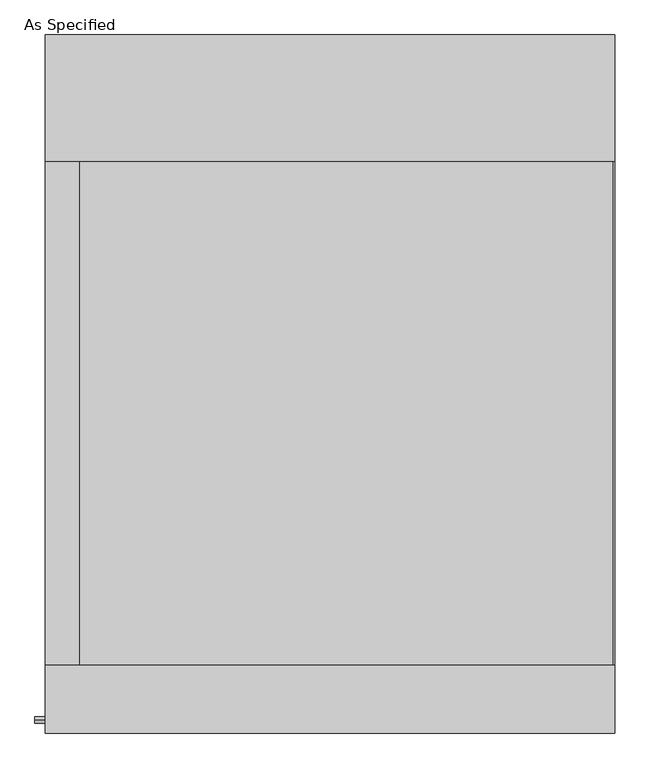
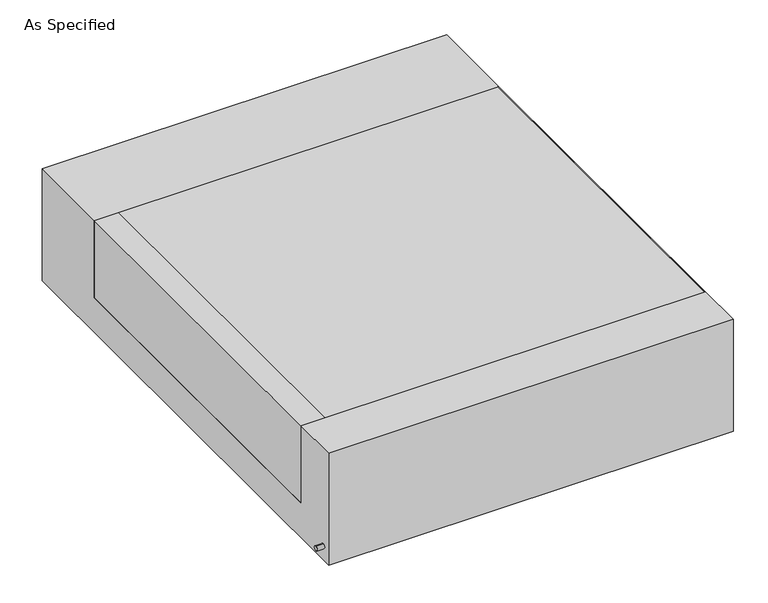
"""IFC4 building model written with IfcOpenShell, lengths in millimetres: proxy geometry, As Specified."""

import ifcopenshell
import ifcopenshell.guid

model = None  # the IFC model being written
_history = None  # IfcOwnerHistory: only IFC2X3 demands one
_inside = {}  # id of a spatial element -> (the spatial element, [elements in it])
_under = {}  # id of a project, library or spatial element -> (it, [spatial elements below it])
_declared = {}  # id of a project -> (the project, [libraries it declares])
_typed = {}  # id of a type object -> (the type object, [elements of that type])
_made_of = {}  # id of a material, layer set ... -> (it, [elements and type objects made of it])


def new_model(schema):
    """Start an empty IFC model of exactly this schema.

    Asked for "IFC4X3", IfcOpenShell would pick the latest addendum, in which some entities
    have other attributes; the version numbers below select the first issue.
    IFC2X3 requires an IfcOwnerHistory on every rooted entity: one is made here for all.
    """
    global model, _history
    if schema == "IFC4X3":
        model = ifcopenshell.file(schema_version=(4, 3, 0, 0))
    else:
        model = ifcopenshell.file(schema=schema)
    _inside.clear()
    _under.clear()
    _declared.clear()
    _typed.clear()
    _made_of.clear()
    _history = None
    if model.schema == "IFC2X3":
        org = make("IfcOrganization", Name="unknown")
        user = make(
            "IfcPersonAndOrganization",
            ThePerson=make("IfcPerson", FamilyName="unknown"),
            TheOrganization=org,
        )
        app = make(
            "IfcApplication",
            ApplicationDeveloper=org,
            Version="unknown",
            ApplicationFullName="unknown",
            ApplicationIdentifier="unknown",
        )
        _history = make(
            "IfcOwnerHistory",
            OwningUser=user,
            OwningApplication=app,
            ChangeAction="ADDED",
            CreationDate=0,
        )
    return model


def make(cls, **values):
    """One entity of the class cls with the attributes given. An attribute that is None is left unset."""
    return model.create_entity(
        cls, **{name: value for name, value in values.items() if value is not None}
    )


def rooted(cls, **values):
    """An entity with a GlobalId (a new one), such as an element, a storey or a relation."""
    return make(cls, GlobalId=ifcopenshell.guid.new(), OwnerHistory=_history, **values)


def si_unit(unit_type, name, prefix=None):
    """IfcSIUnit, for example si_unit("LENGTHUNIT", "METRE", prefix="MILLI")."""
    return make("IfcSIUnit", UnitType=unit_type, Prefix=prefix, Name=name)


def assignment(units):
    """IfcUnitAssignment: the units of a project."""
    return None if units is None else make("IfcUnitAssignment", Units=units)


def point(xyz):
    """IfcCartesianPoint."""
    return None if xyz is None else make("IfcCartesianPoint", Coordinates=xyz)


def direction(xyz):
    """IfcDirection."""
    return None if xyz is None else make("IfcDirection", DirectionRatios=xyz)


def frame(location, z_axis=None, x_axis=None):
    """IfcAxis2Placement3D, a coordinate frame: its origin and axes. An axis left out is left unset."""
    return make(
        "IfcAxis2Placement3D",
        Location=point(location),
        Axis=direction(z_axis),
        RefDirection=direction(x_axis),
    )


def frame_2d(location, x_axis=None):
    """IfcAxis2Placement2D, a coordinate frame in the plane: its origin and x axis."""
    return make(
        "IfcAxis2Placement2D", Location=point(location), RefDirection=direction(x_axis)
    )


def origin():
    """The frame at (0, 0, 0) with its axes left unset."""
    return frame((0.0, 0.0, 0.0))


def place(relative_to, where):
    """IfcLocalPlacement: puts the frame where relative to a parent placement (None: the world)."""
    return make(
        "IfcLocalPlacement", PlacementRelTo=relative_to, RelativePlacement=where
    )


def context(
    kind, dimensions, precision=None, world=None, true_north=None, identifier=None
):
    """IfcGeometricRepresentationContext, for example the 3D "Model" context."""
    return make(
        "IfcGeometricRepresentationContext",
        ContextIdentifier=identifier,
        ContextType=kind,
        CoordinateSpaceDimension=dimensions,
        Precision=precision,
        WorldCoordinateSystem=world,
        TrueNorth=true_north,
    )


def project(units=None, contexts=None):
    """IfcProject with its units and contexts."""
    return rooted(
        "IfcProject",
        Name="project",
        RepresentationContexts=contexts,
        UnitsInContext=assignment(units),
    )


def spatial(cls, under=None, at=None, **own):
    """A site, building, storey or space (cls), placed at a placement, below another one or the project."""
    s = rooted(cls, ObjectPlacement=at, **own)
    if under is not None:
        _under.setdefault(under.id(), (under, []))[1].append(s)
    return s


def polyline(points):
    """IfcPolyline through the points."""
    return make("IfcPolyline", Points=[point(p) for p in points])


def circle_curve(where, radius):
    """IfcCircle in the frame where."""
    return make("IfcCircle", Position=where, Radius=radius)


def trimmed(basis, trim1, trim2, sense, master):
    """IfcTrimmedCurve: the piece of a basis curve between two trims."""
    return make(
        "IfcTrimmedCurve",
        BasisCurve=basis,
        Trim1=trim1,
        Trim2=trim2,
        SenseAgreement=sense,
        MasterRepresentation=master,
    )


def segment(curve, same_sense, transition):
    """IfcCompositeCurveSegment."""
    return make(
        "IfcCompositeCurveSegment",
        Transition=transition,
        SameSense=same_sense,
        ParentCurve=curve,
    )


def composite_curve(segments, self_intersect=None):
    """IfcCompositeCurve: segments joined end to end."""
    return make("IfcCompositeCurve", Segments=segments, SelfIntersect=self_intersect)


def outline(outer, holes=None, kind="AREA"):
    """IfcArbitraryClosedProfileDef: a profile drawn as a closed curve; with holes, ...WithVoids."""
    if holes is None:
        return make("IfcArbitraryClosedProfileDef", ProfileType=kind, OuterCurve=outer)
    return make(
        "IfcArbitraryProfileDefWithVoids",
        ProfileType=kind,
        OuterCurve=outer,
        InnerCurves=holes,
    )


def extrude(swept, where, along, depth):
    """IfcExtrudedAreaSolid: the profile swept, set in the frame where, extruded along a direction by depth."""
    return make(
        "IfcExtrudedAreaSolid",
        SweptArea=swept,
        Position=where,
        ExtrudedDirection=direction(along),
        Depth=depth,
    )


def shape(context_of_items, identifier, shape_type, items):
    """IfcShapeRepresentation: the items that make up one representation, for example the "Body"."""
    return make(
        "IfcShapeRepresentation",
        ContextOfItems=context_of_items,
        RepresentationIdentifier=identifier,
        RepresentationType=shape_type,
        Items=items,
    )


def source(mapping_origin, context_of_items, identifier, shape_type, items):
    """IfcRepresentationMap: a shape defined once, which mapped items show again and again."""
    return make(
        "IfcRepresentationMap",
        MappingOrigin=mapping_origin,
        MappedRepresentation=shape(context_of_items, identifier, shape_type, items),
    )


def transform(
    local_origin,
    x_axis=None,
    y_axis=None,
    z_axis=None,
    scale=None,
    scale2=None,
    scale3=None,
    uniform=True,
):
    """IfcCartesianTransformationOperator3D, or its non-uniform kind. x_axis, y_axis, z_axis: its Axis1, 2, 3."""
    if uniform:
        return make(
            "IfcCartesianTransformationOperator3D",
            Axis1=direction(x_axis),
            Axis2=direction(y_axis),
            LocalOrigin=point(local_origin),
            Scale=scale,
            Axis3=direction(z_axis),
        )
    return make(
        "IfcCartesianTransformationOperator3DnonUniform",
        Axis1=direction(x_axis),
        Axis2=direction(y_axis),
        LocalOrigin=point(local_origin),
        Scale=scale,
        Axis3=direction(z_axis),
        Scale2=scale2,
        Scale3=scale3,
    )


def mapped(mapping_source, mapping_target):
    """IfcMappedItem: shows the shape of a source again, moved by a transform."""
    return make(
        "IfcMappedItem", MappingSource=mapping_source, MappingTarget=mapping_target
    )


def made_of(thing, what):
    """Note that an element or type object is made of a material, layer set ...; save() writes the relation."""
    if what is not None:
        _made_of.setdefault(what.id(), (what, []))[1].append(thing)
    return thing


def element(
    cls,
    number,
    at=None,
    inside=None,
    cuts=None,
    type_object=None,
    material=None,
    context=None,
    identifier="Body",
    shape_type=None,
    held_by="IfcProductDefinitionShape",
    body=None,
    shapes=None,
    **own,
):
    """One element of the class cls, such as IfcWall. Its Tag is "e" and its number.

    at: its placement. inside: the storey or other place that contains it. cuts: it is an
    opening in that element (IfcRelVoidsElement). A single representation is given by context,
    identifier, shape_type and body (its items); several are given by shapes. held_by: the class
    of the entity that holds the representations. save() writes the other relations.
    """
    e = rooted(cls, Tag="e%d" % number, ObjectPlacement=at, **own)
    if body is not None:
        shapes = [shape(context, identifier, shape_type, body)]
    if shapes is not None:
        e.Representation = make(held_by, Representations=shapes)
    if inside is not None:
        _inside.setdefault(inside.id(), (inside, []))[1].append(e)
    if cuts is not None:
        rooted(
            "IfcRelVoidsElement", RelatingBuildingElement=cuts, RelatedOpeningElement=e
        )
    if type_object is not None:
        _typed.setdefault(type_object.id(), (type_object, []))[1].append(e)
    return made_of(e, material)


def aggregate(whole, parts):
    """IfcRelAggregates: a whole, such as a stair, and the parts it consists of."""
    return rooted("IfcRelAggregates", RelatingObject=whole, RelatedObjects=parts)


def save(model, path):
    """Write the relations noted so far, then the file.

    IfcRelAggregates (storeys below a building ...), IfcRelContainedInSpatialStructure (elements
    in a storey), IfcRelDefinesByType, IfcRelAssociatesMaterial and IfcRelDeclares: one each for
    every whole, place, type object, material and project.
    """
    for whole, parts in _under.values():
        aggregate(whole, parts)
    for where, things in _inside.values():
        rooted(
            "IfcRelContainedInSpatialStructure",
            RelatedElements=things,
            RelatingStructure=where,
        )
    for kind, things in _typed.values():
        rooted("IfcRelDefinesByType", RelatedObjects=things, RelatingType=kind)
    for what, things in _made_of.values():
        rooted("IfcRelAssociatesMaterial", RelatedObjects=things, RelatingMaterial=what)
    for by, libraries in _declared.values():
        rooted("IfcRelDeclares", RelatingContext=by, RelatedDefinitions=libraries)
    model.write(path)


def as_specified_87eda443(model_context):
    return source(origin(), model_context, "Body", "SweptSolid", [
        extrude(outline(composite_curve([segment(trimmed(circle_curve(frame_2d((-1017.5875, -466.725)), 10.5), [point((-1017.5875, -456.225))], [point((-1017.5875, -477.225))], False, "CARTESIAN"), True, "CONTINUOUS"), segment(trimmed(circle_curve(frame_2d((-1017.5875, -466.725)), 10.5), [point((-1017.5875, -477.225))], [point((-1017.5875, -456.225))], False, "CARTESIAN"), True, "CONTINUOUS")], self_intersect=False)), frame((-893.8528384, 0.0, 0.0), z_axis=(1.0, 0.0, 0.0), x_axis=(0.0, 1.0, 0.0)), (0.0, 0.0, 1.0), 31.8403384),
        extrude(outline(polyline([(-759.61875, 673.1), (-759.61875, -850.9), (-862.0125, -850.9), (-862.0125, 673.1), (-759.61875, 673.1)])), frame((0.0, 0.0, -373.0625), z_axis=(0.0, 0.0, 1.0), x_axis=(1.0, 0.0, 0.0)), (0.0, 0.0, 1.0), 347.6625),
        extrude(outline(polyline([(858.04375, 673.1), (862.0125, 673.1), (862.0125, -850.9), (858.04375, -850.9), (858.04375, 673.1)])), frame((0.0, 0.0, -39.6875), z_axis=(0.0, 0.0, 1.0), x_axis=(1.0, 0.0, 0.0)), (0.0, 0.0, 1.0), 14.2875),
        extrude(outline(polyline([(862.0125, 673.1), (862.0125, -850.9), (-759.61875, -850.9), (-759.61875, 673.1), (862.0125, 673.1)])), frame((0.0, 0.0, -373.0625), z_axis=(0.0, 0.0, 1.0), x_axis=(1.0, 0.0, 0.0)), (0.0, 0.0, 1.0), 347.6625),
        extrude(outline(polyline([(1057.275, -25.4), (1057.275, -530.225), (-1057.275, -530.225), (-1057.275, -25.4), (-850.9, -25.4), (-850.9, -373.0625), (673.1, -373.0625), (673.1, -25.4), (1057.275, -25.4)])), frame((-862.0125, 0.0, 0.0), z_axis=(1.0, 0.0, 0.0), x_axis=(0.0, 1.0, 0.0)), (0.0, 0.0, 1.0), 1724.025),
    ])


if __name__ == "__main__":
    model = new_model("IFC4")
    model_context = context("Model", 3, world=origin())
    ifc_project = project(units=[si_unit("LENGTHUNIT", "METRE", prefix="MILLI")], contexts=[model_context])
    site = spatial("IfcSite", under=ifc_project)
    building = spatial("IfcBuilding", under=site)
    placement = place(None, origin())
    as_specified_shape = as_specified_87eda443(model_context)
    element("IfcBuildingElementProxy", 1, Name="As Specified", ObjectType="As Specified", at=placement, inside=building, context=model_context, shape_type="MappedRepresentation", body=[
        mapped(as_specified_shape, transform((0.0, 0.0, 0.0), x_axis=(1.0, 0.0, 0.0), y_axis=(0.0, 1.0, 0.0), z_axis=(0.0, 0.0, 1.0))),
    ])
    save(model, "model.ifc")
